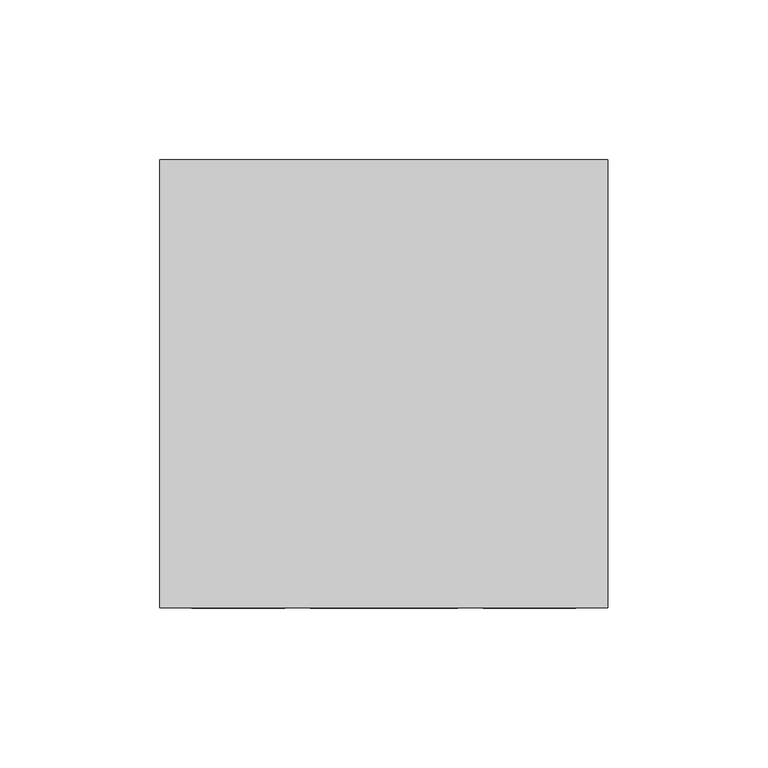
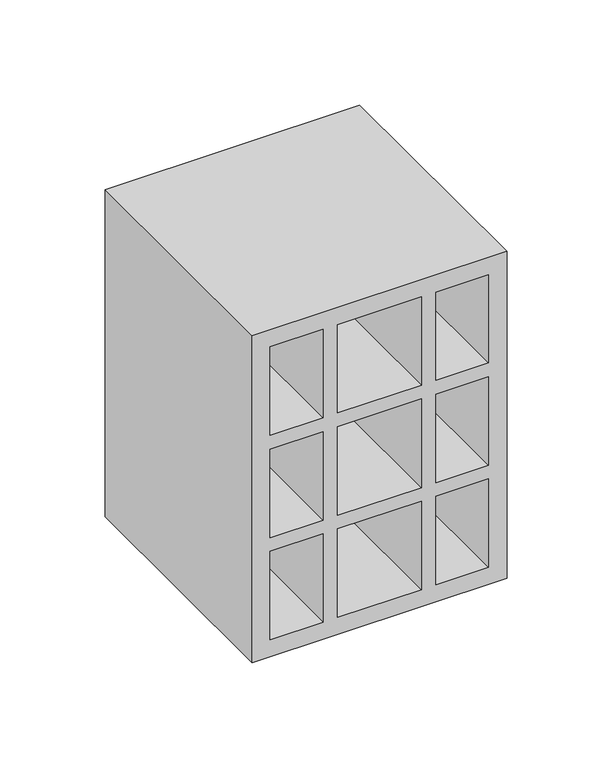
"""IFC4 building model written with IfcOpenShell, lengths in millimetres: proxy geometry."""

import ifcopenshell
import ifcopenshell.guid

model = None  # the IFC model being written
_history = None  # IfcOwnerHistory: only IFC2X3 demands one
_inside = {}  # id of a spatial element -> (the spatial element, [elements in it])
_under = {}  # id of a project, library or spatial element -> (it, [spatial elements below it])
_declared = {}  # id of a project -> (the project, [libraries it declares])
_typed = {}  # id of a type object -> (the type object, [elements of that type])
_made_of = {}  # id of a material, layer set ... -> (it, [elements and type objects made of it])


def new_model(schema):
    """Start an empty IFC model of exactly this schema.

    Asked for "IFC4X3", IfcOpenShell would pick the latest addendum, in which some entities
    have other attributes; the version numbers below select the first issue.
    IFC2X3 requires an IfcOwnerHistory on every rooted entity: one is made here for all.
    """
    global model, _history
    if schema == "IFC4X3":
        model = ifcopenshell.file(schema_version=(4, 3, 0, 0))
    else:
        model = ifcopenshell.file(schema=schema)
    _inside.clear()
    _under.clear()
    _declared.clear()
    _typed.clear()
    _made_of.clear()
    _history = None
    if model.schema == "IFC2X3":
        org = make("IfcOrganization", Name="unknown")
        user = make(
            "IfcPersonAndOrganization",
            ThePerson=make("IfcPerson", FamilyName="unknown"),
            TheOrganization=org,
        )
        app = make(
            "IfcApplication",
            ApplicationDeveloper=org,
            Version="unknown",
            ApplicationFullName="unknown",
            ApplicationIdentifier="unknown",
        )
        _history = make(
            "IfcOwnerHistory",
            OwningUser=user,
            OwningApplication=app,
            ChangeAction="ADDED",
            CreationDate=0,
        )
    return model


def make(cls, **values):
    """One entity of the class cls with the attributes given. An attribute that is None is left unset."""
    return model.create_entity(
        cls, **{name: value for name, value in values.items() if value is not None}
    )


def rooted(cls, **values):
    """An entity with a GlobalId (a new one), such as an element, a storey or a relation."""
    return make(cls, GlobalId=ifcopenshell.guid.new(), OwnerHistory=_history, **values)


def si_unit(unit_type, name, prefix=None):
    """IfcSIUnit, for example si_unit("LENGTHUNIT", "METRE", prefix="MILLI")."""
    return make("IfcSIUnit", UnitType=unit_type, Prefix=prefix, Name=name)


def assignment(units):
    """IfcUnitAssignment: the units of a project."""
    return None if units is None else make("IfcUnitAssignment", Units=units)


def point(xyz):
    """IfcCartesianPoint."""
    return None if xyz is None else make("IfcCartesianPoint", Coordinates=xyz)


def direction(xyz):
    """IfcDirection."""
    return None if xyz is None else make("IfcDirection", DirectionRatios=xyz)


def frame(location, z_axis=None, x_axis=None):
    """IfcAxis2Placement3D, a coordinate frame: its origin and axes. An axis left out is left unset."""
    return make(
        "IfcAxis2Placement3D",
        Location=point(location),
        Axis=direction(z_axis),
        RefDirection=direction(x_axis),
    )


def origin():
    """The frame at (0, 0, 0) with its axes left unset."""
    return frame((0.0, 0.0, 0.0))


def place(relative_to, where):
    """IfcLocalPlacement: puts the frame where relative to a parent placement (None: the world)."""
    return make(
        "IfcLocalPlacement", PlacementRelTo=relative_to, RelativePlacement=where
    )


def context(
    kind, dimensions, precision=None, world=None, true_north=None, identifier=None
):
    """IfcGeometricRepresentationContext, for example the 3D "Model" context."""
    return make(
        "IfcGeometricRepresentationContext",
        ContextIdentifier=identifier,
        ContextType=kind,
        CoordinateSpaceDimension=dimensions,
        Precision=precision,
        WorldCoordinateSystem=world,
        TrueNorth=true_north,
    )


def project(units=None, contexts=None):
    """IfcProject with its units and contexts."""
    return rooted(
        "IfcProject",
        Name="project",
        RepresentationContexts=contexts,
        UnitsInContext=assignment(units),
    )


def spatial(cls, under=None, at=None, **own):
    """A site, building, storey or space (cls), placed at a placement, below another one or the project."""
    s = rooted(cls, ObjectPlacement=at, **own)
    if under is not None:
        _under.setdefault(under.id(), (under, []))[1].append(s)
    return s


def polyline(points):
    """IfcPolyline through the points."""
    return make("IfcPolyline", Points=[point(p) for p in points])


def outline(outer, holes=None, kind="AREA"):
    """IfcArbitraryClosedProfileDef: a profile drawn as a closed curve; with holes, ...WithVoids."""
    if holes is None:
        return make("IfcArbitraryClosedProfileDef", ProfileType=kind, OuterCurve=outer)
    return make(
        "IfcArbitraryProfileDefWithVoids",
        ProfileType=kind,
        OuterCurve=outer,
        InnerCurves=holes,
    )


def extrude(swept, where, along, depth):
    """IfcExtrudedAreaSolid: the profile swept, set in the frame where, extruded along a direction by depth."""
    return make(
        "IfcExtrudedAreaSolid",
        SweptArea=swept,
        Position=where,
        ExtrudedDirection=direction(along),
        Depth=depth,
    )


def shape(context_of_items, identifier, shape_type, items):
    """IfcShapeRepresentation: the items that make up one representation, for example the "Body"."""
    return make(
        "IfcShapeRepresentation",
        ContextOfItems=context_of_items,
        RepresentationIdentifier=identifier,
        RepresentationType=shape_type,
        Items=items,
    )


def source(mapping_origin, context_of_items, identifier, shape_type, items):
    """IfcRepresentationMap: a shape defined once, which mapped items show again and again."""
    return make(
        "IfcRepresentationMap",
        MappingOrigin=mapping_origin,
        MappedRepresentation=shape(context_of_items, identifier, shape_type, items),
    )


def transform(
    local_origin,
    x_axis=None,
    y_axis=None,
    z_axis=None,
    scale=None,
    scale2=None,
    scale3=None,
    uniform=True,
):
    """IfcCartesianTransformationOperator3D, or its non-uniform kind. x_axis, y_axis, z_axis: its Axis1, 2, 3."""
    if uniform:
        return make(
            "IfcCartesianTransformationOperator3D",
            Axis1=direction(x_axis),
            Axis2=direction(y_axis),
            LocalOrigin=point(local_origin),
            Scale=scale,
            Axis3=direction(z_axis),
        )
    return make(
        "IfcCartesianTransformationOperator3DnonUniform",
        Axis1=direction(x_axis),
        Axis2=direction(y_axis),
        LocalOrigin=point(local_origin),
        Scale=scale,
        Axis3=direction(z_axis),
        Scale2=scale2,
        Scale3=scale3,
    )


def mapped(mapping_source, mapping_target):
    """IfcMappedItem: shows the shape of a source again, moved by a transform."""
    return make(
        "IfcMappedItem", MappingSource=mapping_source, MappingTarget=mapping_target
    )


def made_of(thing, what):
    """Note that an element or type object is made of a material, layer set ...; save() writes the relation."""
    if what is not None:
        _made_of.setdefault(what.id(), (what, []))[1].append(thing)
    return thing


def element(
    cls,
    number,
    at=None,
    inside=None,
    cuts=None,
    type_object=None,
    material=None,
    context=None,
    identifier="Body",
    shape_type=None,
    held_by="IfcProductDefinitionShape",
    body=None,
    shapes=None,
    **own,
):
    """One element of the class cls, such as IfcWall. Its Tag is "e" and its number.

    at: its placement. inside: the storey or other place that contains it. cuts: it is an
    opening in that element (IfcRelVoidsElement). A single representation is given by context,
    identifier, shape_type and body (its items); several are given by shapes. held_by: the class
    of the entity that holds the representations. save() writes the other relations.
    """
    e = rooted(cls, Tag="e%d" % number, ObjectPlacement=at, **own)
    if body is not None:
        shapes = [shape(context, identifier, shape_type, body)]
    if shapes is not None:
        e.Representation = make(held_by, Representations=shapes)
    if inside is not None:
        _inside.setdefault(inside.id(), (inside, []))[1].append(e)
    if cuts is not None:
        rooted(
            "IfcRelVoidsElement", RelatingBuildingElement=cuts, RelatedOpeningElement=e
        )
    if type_object is not None:
        _typed.setdefault(type_object.id(), (type_object, []))[1].append(e)
    return made_of(e, material)


def aggregate(whole, parts):
    """IfcRelAggregates: a whole, such as a stair, and the parts it consists of."""
    return rooted("IfcRelAggregates", RelatingObject=whole, RelatedObjects=parts)


def save(model, path):
    """Write the relations noted so far, then the file.

    IfcRelAggregates (storeys below a building ...), IfcRelContainedInSpatialStructure (elements
    in a storey), IfcRelDefinesByType, IfcRelAssociatesMaterial and IfcRelDeclares: one each for
    every whole, place, type object, material and project.
    """
    for whole, parts in _under.values():
        aggregate(whole, parts)
    for where, things in _inside.values():
        rooted(
            "IfcRelContainedInSpatialStructure",
            RelatedElements=things,
            RelatingStructure=where,
        )
    for kind, things in _typed.values():
        rooted("IfcRelDefinesByType", RelatedObjects=things, RelatingType=kind)
    for what, things in _made_of.values():
        rooted("IfcRelAssociatesMaterial", RelatedObjects=things, RelatingMaterial=what)
    for by, libraries in _declared.values():
        rooted("IfcRelDeclares", RelatingContext=by, RelatedDefinitions=libraries)
    model.write(path)


def generic_models_a6abc4cc(model_context):
    return source(origin(), model_context, "Body", "SweptSolid", [
        extrude(outline(polyline([(0.0, 140.0), (190.0, 140.0), (190.0, 0.0), (0.0, 0.0), (0.0, 140.0)]), holes=[polyline([(10.0, 101.0), (61.3, 101.0), (61.3, 130.0), (10.0, 130.0), (10.0, 101.0)]), polyline([(10.0, 39.0), (10.0, 10.0), (61.3, 10.0), (61.3, 39.0), (10.0, 39.0)]), polyline([(180.0, 101.0), (180.0, 130.0), (128.7, 130.0), (128.7, 101.0), (180.0, 101.0)]), polyline([(180.0, 39.0), (128.7, 39.0), (128.7, 10.0), (180.0, 10.0), (180.0, 39.0)]), polyline([(61.3, 93.0), (10.0, 93.0), (10.0, 47.0), (61.3, 47.0), (61.3, 93.0)]), polyline([(128.7, 93.0), (128.7, 47.0), (180.0, 47.0), (180.0, 93.0), (128.7, 93.0)]), polyline([(120.7, 130.0), (69.2564307, 130.0), (69.2564307, 101.0), (120.7, 101.0), (120.7, 130.0)]), polyline([(120.7, 10.0), (120.7, 39.0), (69.2564307, 39.0), (69.2564307, 10.0), (120.7, 10.0)]), polyline([(120.7, 93.0), (69.2564307, 93.0), (69.2564307, 47.0), (120.7, 47.0), (120.7, 93.0)])]), frame((0.0, 0.0, 0.0), z_axis=(0.0, 1.0, 0.0), x_axis=(0.0, 0.0, 1.0)), (0.0, 0.0, 1.0), 140.0),
    ])


if __name__ == "__main__":
    model = new_model("IFC4")
    model_context = context("Model", 3, world=origin())
    ifc_project = project(units=[si_unit("LENGTHUNIT", "METRE", prefix="MILLI")], contexts=[model_context])
    site = spatial("IfcSite", under=ifc_project)
    building = spatial("IfcBuilding", under=site)
    placement = place(None, origin())
    generic_models_shape = generic_models_a6abc4cc(model_context)
    element("IfcBuildingElementProxy", 1, Name="Generic Models", at=placement, inside=building, context=model_context, shape_type="MappedRepresentation", body=[
        mapped(generic_models_shape, transform((0.0, 0.0, 0.0), x_axis=(1.0, 0.0, 0.0), y_axis=(0.0, 1.0, 0.0), z_axis=(0.0, 0.0, 1.0))),
    ])
    save(model, "model.ifc")
